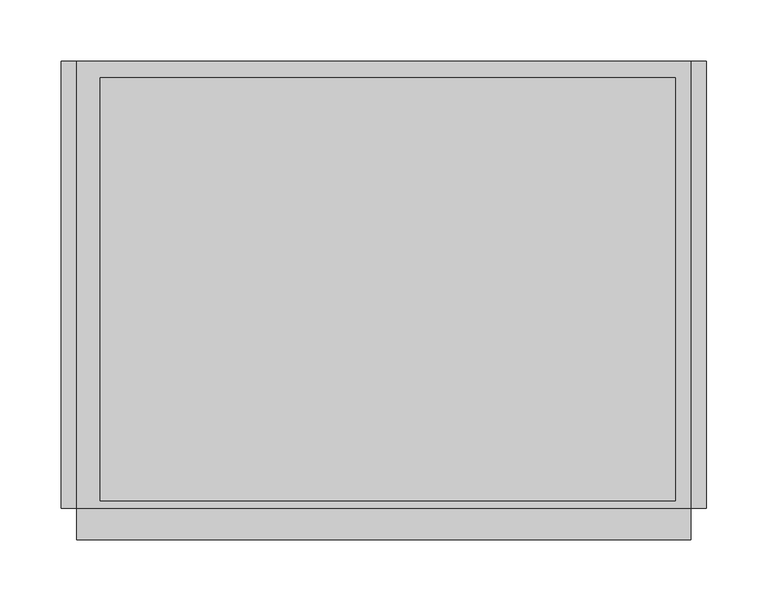
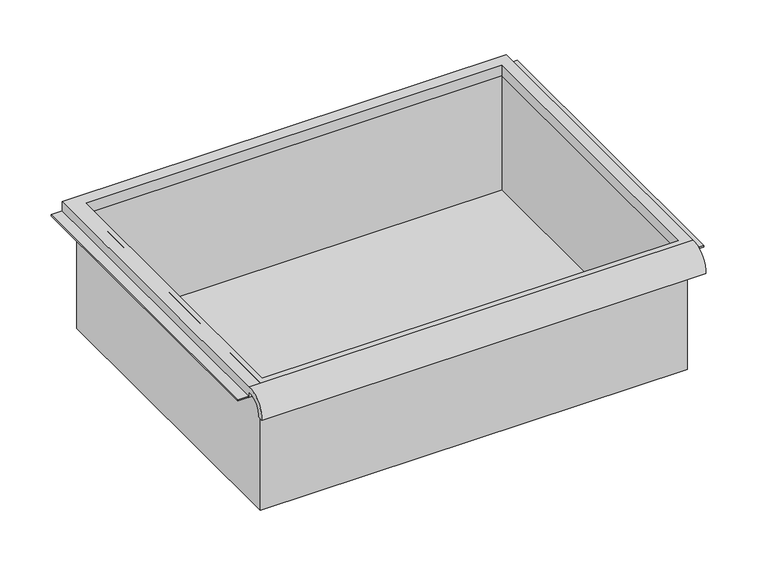
"""IFC4 building model written with IfcOpenShell, lengths in millimetres: furniture geometry."""

from ifc_helpers import new_model, si_unit, frame, origin, place, context, project, spatial, polyline, circle_curve, faceted_brep, source, transform, mapped, element, save
from ifc_brep_helpers import plane_surface, cylinder_surface, revolved_surface, advanced_brep


def furniture_d84da1ef(model_context):
    return source(origin(), model_context, "Body", "SolidModel", [
        advanced_brep(
        [(263.7474999, -195.297482, 735.8035672), (263.7474999, -188.9125, 735.8035672), (263.7474999, -169.8625, 754.0650404), (263.7474999, -169.8625, 747.71504), (263.7474999, 195.2625, 747.71504), (263.7474999, 195.2625, 760.4150404), (263.7474999, -169.8625, 760.4150404), (-237.9025001, -195.297482, 735.8035672), (-237.9025001, -169.8625, 760.4150404), (-237.9025001, 195.2625, 760.4150404), (-237.9025001, 195.2625, 747.71504), (-237.9025001, -169.8625, 747.71504), (-237.9025001, -169.8625, 754.0650404), (-237.9025001, -188.9125, 735.8035672), (251.0474878, 181.9275, 747.71504), (-218.8095642, 181.9275, 747.71504), (-218.8095642, -163.5125, 747.71504), (251.0474878, -163.5125, 747.71504), (-218.8095642, 181.9275, 760.4150404), (251.0474878, 181.9275, 760.4150404), (251.0474878, -163.5125, 760.4150404), (-218.8095642, -163.5125, 760.4150404)],
        [
            (0, 1),
            (1, 2, circle_curve(frame((263.7474999, -172.3404634, 737.5829776), z_axis=(-1.0, 0.0, 0.0), x_axis=(0.0, 1.0, 0.0)), 16.6672942)),
            (2, 3),
            (3, 4),
            (4, 5),
            (5, 6),
            (6, 0, circle_curve(frame((263.7474999, -172.4601678, 737.6508676), z_axis=(1.0, 0.0, 0.0), x_axis=(0.0, 1.0, 0.0)), 22.9119061)),
            (7, 8, circle_curve(frame((-237.9025001, -172.4601678, 737.6508676), z_axis=(-1.0, 0.0, 0.0), x_axis=(0.0, 1.0, 0.0)), 22.9119061)),
            (8, 9),
            (9, 10),
            (10, 11),
            (11, 12),
            (12, 13, circle_curve(frame((-237.9025001, -172.3404634, 737.5829776), z_axis=(1.0, 0.0, 0.0), x_axis=(0.0, 1.0, 0.0)), 16.6672942)),
            (13, 7),
            (0, 7),
            (13, 1),
            (12, 2),
            (11, 3),
            (10, 4),
            (14, 15),
            (15, 16),
            (16, 17),
            (17, 14),
            (9, 5),
            (8, 6),
            (18, 19),
            (19, 20),
            (20, 21),
            (21, 18),
            (14, 19),
            (18, 15),
            (21, 16),
            (20, 17),
        ],
        [
            plane_surface(frame((263.7474999, -195.297482, 735.8035672), z_axis=(1.0, 0.0, 0.0), x_axis=(0.0, 1.0, 0.0))),
            plane_surface(frame((-237.9025001, -195.297482, 735.8035672), z_axis=(-1.0, 0.0, 0.0), x_axis=(0.0, -1.0, 0.0))),
            plane_surface(frame((263.7474999, -195.297482, 735.8035672), z_axis=(0.0, 0.0, -1.0), x_axis=(-1.0, 0.0, 0.0))),
            revolved_surface(polyline([(-237.9025001, -155.67316920000002, 737.5829776), (263.7474999, -155.67316920000002, 737.5829776)]), (-237.9025001, -172.3404634, 737.5829776), (-1.0, 0.0, 0.0)),
            plane_surface(frame((263.7474999, -169.8625, 754.0650404), z_axis=(0.0, -1.0, 0.0), x_axis=(-1.0, 0.0, 0.0))),
            plane_surface(frame((263.7474999, -169.8625, 747.71504), z_axis=(0.0, 0.0, -1.0), x_axis=(-1.0, 0.0, 0.0))),
            plane_surface(frame((263.7474999, 195.2625, 747.71504), z_axis=(0.0, 1.0, 0.0), x_axis=(-1.0, 0.0, 0.0))),
            plane_surface(frame((263.7474999, 195.2625, 760.4150404), z_axis=(0.0, 0.0, 1.0), x_axis=(-1.0, 0.0, 0.0))),
            cylinder_surface(frame((-237.9025001, -172.4601678, 737.6508676), z_axis=(1.0, 0.0, 0.0), x_axis=(0.0, 1.0, 0.0)), 22.9119061),
            plane_surface(frame((251.0474878, 181.9275, 760.4150404), z_axis=(0.0, -1.0, 0.0), x_axis=(0.0, 0.0, -1.0))),
            plane_surface(frame((-218.8095642, 181.9275, 760.4150404), z_axis=(1.0, 0.0, 0.0), x_axis=(0.0, 0.0, -1.0))),
            plane_surface(frame((-218.8095642, -163.5125, 760.4150404), z_axis=(0.0, 1.0, 0.0), x_axis=(0.0, 0.0, -1.0))),
            plane_surface(frame((251.0474878, -163.5125, 760.4150404), z_axis=(-1.0, 0.0, 0.0), x_axis=(0.0, 0.0, -1.0))),
        ],
        [
            (0, [[1, 2, 3, 4, 5, 6, 7]]),
            (1, [[8, 9, 10, 11, 12, 13, 14]]),
            (2, [[-1, 15, -14, 16]]),
            (3, [[-2, -16, -13, 17]]),
            (4, [[-3, -17, -12, 18]]),
            (5, [[-4, -18, -11, 19], [20, 21, 22, 23]]),
            (6, [[-5, -19, -10, 24]]),
            (7, [[-6, -24, -9, 25], [26, 27, 28, 29]]),
            (8, [[-7, -25, -8, -15]]),
            (9, [[30, -26, 31, -20]]),
            (10, [[-31, -29, 32, -21]]),
            (11, [[-32, -28, 33, -22]]),
            (12, [[-30, -23, -33, -27]]),
        ],
    ),
        faceted_brep([(-225.2025001, -169.8625, 608.0150404), (257.3974878, -169.8625, 608.0150404), (257.3974878, -169.8625, 760.4150404), (-225.2025001, -169.8625, 760.4150404), (-225.2025001, 188.9125, 608.0150404), (-225.2025001, 188.9125, 760.4150404), (257.3974878, 188.9125, 760.4150404), (257.3974878, 188.9125, 608.0150404), (-218.8095642, 181.9275, 760.4150404), (251.0474878, 181.9275, 760.4150404), (251.0474878, -163.5125, 760.4150404), (-218.8095642, -163.5125, 760.4150404), (251.0474878, 181.9275, 611.1900404), (-218.8095642, 181.9275, 611.1900404), (-218.8095642, -163.5125, 611.1900404), (251.0474878, -163.5125, 611.1900404)], [[[0, 1, 2, 3]], [[4, 5, 6, 7]], [[1, 0, 4, 7]], [[2, 1, 7, 6]], [[3, 2, 6, 5], [8, 9, 10, 11]], [[0, 3, 5, 4]], [[12, 13, 14, 15]], [[13, 12, 9, 8]], [[14, 13, 8, 11]], [[15, 14, 11, 10]], [[12, 15, 10, 9]]]),
        faceted_brep([(-250.6025001, 195.2625, 747.71504), (-250.6025001, 195.2625, 749.30254), (-231.5525001, 195.2625, 749.30254), (-231.5525001, 195.2625, 747.71504), (-250.6025001, -169.8625, 747.71504), (-231.5525001, -169.8625, 747.71504), (-231.5525001, -169.8625, 749.30254), (-250.6025001, -169.8625, 749.30254)], [[[0, 1, 2, 3]], [[4, 5, 6, 7]], [[1, 0, 4, 7]], [[2, 1, 7, 6]], [[3, 2, 6, 5]], [[0, 3, 5, 4]]]),
        faceted_brep([(276.4474999, 195.2625, 747.71504), (263.7474999, 195.2625, 747.71504), (263.7474999, 195.2625, 749.30254), (276.4474999, 195.2625, 749.30254), (276.4474999, -169.8625, 747.71504), (276.4474999, -169.8625, 749.30254), (263.7474999, -169.8625, 749.30254), (263.7474999, -169.8625, 747.71504)], [[[0, 1, 2, 3]], [[4, 5, 6, 7]], [[1, 0, 4, 7]], [[2, 1, 7, 6]], [[3, 2, 6, 5]], [[0, 3, 5, 4]]]),
    ])


if __name__ == "__main__":
    model = new_model("IFC4")
    model_context = context("Model", 3, world=origin())
    ifc_project = project(units=[si_unit("LENGTHUNIT", "METRE", prefix="MILLI")], contexts=[model_context])
    site = spatial("IfcSite", under=ifc_project)
    building = spatial("IfcBuilding", under=site)
    placement = place(None, origin())
    furniture_shape = furniture_d84da1ef(model_context)
    element("IfcFurniture", 1, at=placement, inside=building, context=model_context, shape_type="MappedRepresentation", body=[
        mapped(furniture_shape, transform((0.0, 0.0, 0.0), x_axis=(1.0, 0.0, 0.0), y_axis=(0.0, 1.0, 0.0), z_axis=(0.0, 0.0, 1.0))),
    ])
    save(model, "model.ifc")
